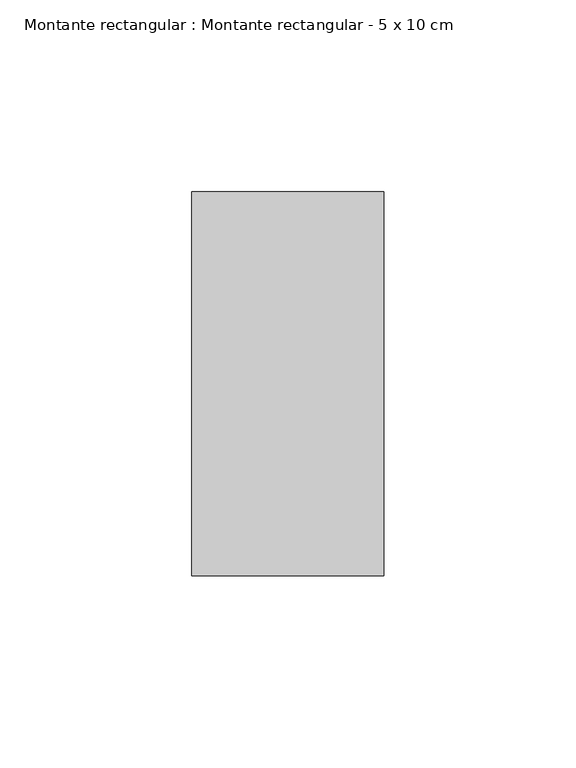
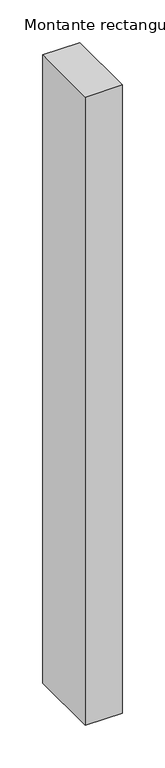
"""IFC4 building model written with IfcOpenShell, lengths in millimetres: member geometry, Montante rectangular : Montante rectangular - 5 x 10 cm."""

from ifc_helpers import new_model, si_unit, frame, origin, place, context, project, spatial, polyline, outline, extrude, source, transform, mapped, element, save


def montante_rectangular_montante_rectangular_5_x_10_cm_4c44aa89(model_context):
    return source(origin(), model_context, "Body", "SweptSolid", [
        extrude(outline(polyline([(-50.0, 50.0), (0.0, 50.0), (0.0, -50.0), (-50.0, -50.0), (-50.0, 50.0)])), frame((0.0, 0.0, -900.0), z_axis=(0.0, 0.0, 1.0), x_axis=(1.0, 0.0, 0.0)), (0.0, 0.0, 1.0), 900.0),
    ])


if __name__ == "__main__":
    model = new_model("IFC4")
    model_context = context("Model", 3, world=origin())
    ifc_project = project(units=[si_unit("LENGTHUNIT", "METRE", prefix="MILLI")], contexts=[model_context])
    site = spatial("IfcSite", under=ifc_project)
    building = spatial("IfcBuilding", under=site)
    placement = place(None, origin())
    montante_rectangular_montante_rectangular_5_x_10_cm_shape = montante_rectangular_montante_rectangular_5_x_10_cm_4c44aa89(model_context)
    element("IfcMember", 1, ObjectType="Montante rectangular : Montante rectangular - 5 x 10 cm", at=placement, inside=building, context=model_context, shape_type="MappedRepresentation", body=[
        mapped(montante_rectangular_montante_rectangular_5_x_10_cm_shape, transform((0.0, 0.0, 0.0), x_axis=(1.0, 0.0, 0.0), y_axis=(0.0, 1.0, 0.0), z_axis=(0.0, 0.0, 1.0))),
    ])
    save(model, "model.ifc")
